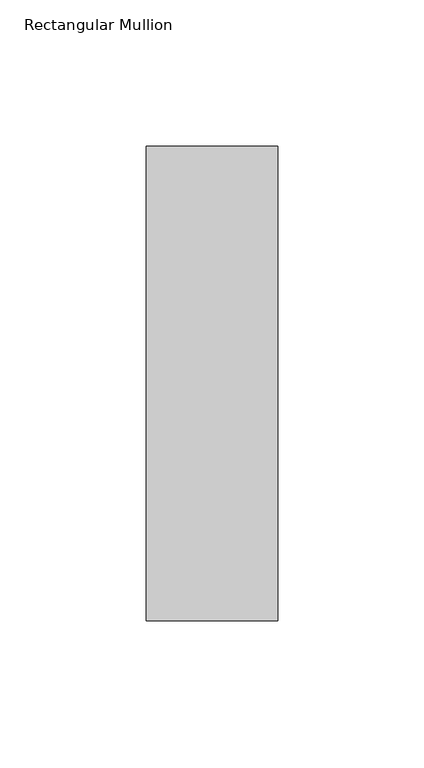
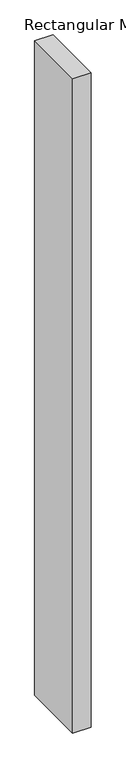
"""IFC4 building model written with IfcOpenShell, lengths in millimetres: member geometry, Rectangular Mullion."""

import ifcopenshell
import ifcopenshell.guid

model = None  # the IFC model being written
_history = None  # IfcOwnerHistory: only IFC2X3 demands one
_inside = {}  # id of a spatial element -> (the spatial element, [elements in it])
_under = {}  # id of a project, library or spatial element -> (it, [spatial elements below it])
_declared = {}  # id of a project -> (the project, [libraries it declares])
_typed = {}  # id of a type object -> (the type object, [elements of that type])
_made_of = {}  # id of a material, layer set ... -> (it, [elements and type objects made of it])


def new_model(schema):
    """Start an empty IFC model of exactly this schema.

    Asked for "IFC4X3", IfcOpenShell would pick the latest addendum, in which some entities
    have other attributes; the version numbers below select the first issue.
    IFC2X3 requires an IfcOwnerHistory on every rooted entity: one is made here for all.
    """
    global model, _history
    if schema == "IFC4X3":
        model = ifcopenshell.file(schema_version=(4, 3, 0, 0))
    else:
        model = ifcopenshell.file(schema=schema)
    _inside.clear()
    _under.clear()
    _declared.clear()
    _typed.clear()
    _made_of.clear()
    _history = None
    if model.schema == "IFC2X3":
        org = make("IfcOrganization", Name="unknown")
        user = make(
            "IfcPersonAndOrganization",
            ThePerson=make("IfcPerson", FamilyName="unknown"),
            TheOrganization=org,
        )
        app = make(
            "IfcApplication",
            ApplicationDeveloper=org,
            Version="unknown",
            ApplicationFullName="unknown",
            ApplicationIdentifier="unknown",
        )
        _history = make(
            "IfcOwnerHistory",
            OwningUser=user,
            OwningApplication=app,
            ChangeAction="ADDED",
            CreationDate=0,
        )
    return model


def make(cls, **values):
    """One entity of the class cls with the attributes given. An attribute that is None is left unset."""
    return model.create_entity(
        cls, **{name: value for name, value in values.items() if value is not None}
    )


def rooted(cls, **values):
    """An entity with a GlobalId (a new one), such as an element, a storey or a relation."""
    return make(cls, GlobalId=ifcopenshell.guid.new(), OwnerHistory=_history, **values)


def si_unit(unit_type, name, prefix=None):
    """IfcSIUnit, for example si_unit("LENGTHUNIT", "METRE", prefix="MILLI")."""
    return make("IfcSIUnit", UnitType=unit_type, Prefix=prefix, Name=name)


def assignment(units):
    """IfcUnitAssignment: the units of a project."""
    return None if units is None else make("IfcUnitAssignment", Units=units)


def point(xyz):
    """IfcCartesianPoint."""
    return None if xyz is None else make("IfcCartesianPoint", Coordinates=xyz)


def direction(xyz):
    """IfcDirection."""
    return None if xyz is None else make("IfcDirection", DirectionRatios=xyz)


def frame(location, z_axis=None, x_axis=None):
    """IfcAxis2Placement3D, a coordinate frame: its origin and axes. An axis left out is left unset."""
    return make(
        "IfcAxis2Placement3D",
        Location=point(location),
        Axis=direction(z_axis),
        RefDirection=direction(x_axis),
    )


def origin():
    """The frame at (0, 0, 0) with its axes left unset."""
    return frame((0.0, 0.0, 0.0))


def place(relative_to, where):
    """IfcLocalPlacement: puts the frame where relative to a parent placement (None: the world)."""
    return make(
        "IfcLocalPlacement", PlacementRelTo=relative_to, RelativePlacement=where
    )


def context(
    kind, dimensions, precision=None, world=None, true_north=None, identifier=None
):
    """IfcGeometricRepresentationContext, for example the 3D "Model" context."""
    return make(
        "IfcGeometricRepresentationContext",
        ContextIdentifier=identifier,
        ContextType=kind,
        CoordinateSpaceDimension=dimensions,
        Precision=precision,
        WorldCoordinateSystem=world,
        TrueNorth=true_north,
    )


def project(units=None, contexts=None):
    """IfcProject with its units and contexts."""
    return rooted(
        "IfcProject",
        Name="project",
        RepresentationContexts=contexts,
        UnitsInContext=assignment(units),
    )


def spatial(cls, under=None, at=None, **own):
    """A site, building, storey or space (cls), placed at a placement, below another one or the project."""
    s = rooted(cls, ObjectPlacement=at, **own)
    if under is not None:
        _under.setdefault(under.id(), (under, []))[1].append(s)
    return s


def polyline(points):
    """IfcPolyline through the points."""
    return make("IfcPolyline", Points=[point(p) for p in points])


def outline(outer, holes=None, kind="AREA"):
    """IfcArbitraryClosedProfileDef: a profile drawn as a closed curve; with holes, ...WithVoids."""
    if holes is None:
        return make("IfcArbitraryClosedProfileDef", ProfileType=kind, OuterCurve=outer)
    return make(
        "IfcArbitraryProfileDefWithVoids",
        ProfileType=kind,
        OuterCurve=outer,
        InnerCurves=holes,
    )


def extrude(swept, where, along, depth):
    """IfcExtrudedAreaSolid: the profile swept, set in the frame where, extruded along a direction by depth."""
    return make(
        "IfcExtrudedAreaSolid",
        SweptArea=swept,
        Position=where,
        ExtrudedDirection=direction(along),
        Depth=depth,
    )


def shape(context_of_items, identifier, shape_type, items):
    """IfcShapeRepresentation: the items that make up one representation, for example the "Body"."""
    return make(
        "IfcShapeRepresentation",
        ContextOfItems=context_of_items,
        RepresentationIdentifier=identifier,
        RepresentationType=shape_type,
        Items=items,
    )


def source(mapping_origin, context_of_items, identifier, shape_type, items):
    """IfcRepresentationMap: a shape defined once, which mapped items show again and again."""
    return make(
        "IfcRepresentationMap",
        MappingOrigin=mapping_origin,
        MappedRepresentation=shape(context_of_items, identifier, shape_type, items),
    )


def transform(
    local_origin,
    x_axis=None,
    y_axis=None,
    z_axis=None,
    scale=None,
    scale2=None,
    scale3=None,
    uniform=True,
):
    """IfcCartesianTransformationOperator3D, or its non-uniform kind. x_axis, y_axis, z_axis: its Axis1, 2, 3."""
    if uniform:
        return make(
            "IfcCartesianTransformationOperator3D",
            Axis1=direction(x_axis),
            Axis2=direction(y_axis),
            LocalOrigin=point(local_origin),
            Scale=scale,
            Axis3=direction(z_axis),
        )
    return make(
        "IfcCartesianTransformationOperator3DnonUniform",
        Axis1=direction(x_axis),
        Axis2=direction(y_axis),
        LocalOrigin=point(local_origin),
        Scale=scale,
        Axis3=direction(z_axis),
        Scale2=scale2,
        Scale3=scale3,
    )


def mapped(mapping_source, mapping_target):
    """IfcMappedItem: shows the shape of a source again, moved by a transform."""
    return make(
        "IfcMappedItem", MappingSource=mapping_source, MappingTarget=mapping_target
    )


def made_of(thing, what):
    """Note that an element or type object is made of a material, layer set ...; save() writes the relation."""
    if what is not None:
        _made_of.setdefault(what.id(), (what, []))[1].append(thing)
    return thing


def element(
    cls,
    number,
    at=None,
    inside=None,
    cuts=None,
    type_object=None,
    material=None,
    context=None,
    identifier="Body",
    shape_type=None,
    held_by="IfcProductDefinitionShape",
    body=None,
    shapes=None,
    **own,
):
    """One element of the class cls, such as IfcWall. Its Tag is "e" and its number.

    at: its placement. inside: the storey or other place that contains it. cuts: it is an
    opening in that element (IfcRelVoidsElement). A single representation is given by context,
    identifier, shape_type and body (its items); several are given by shapes. held_by: the class
    of the entity that holds the representations. save() writes the other relations.
    """
    e = rooted(cls, Tag="e%d" % number, ObjectPlacement=at, **own)
    if body is not None:
        shapes = [shape(context, identifier, shape_type, body)]
    if shapes is not None:
        e.Representation = make(held_by, Representations=shapes)
    if inside is not None:
        _inside.setdefault(inside.id(), (inside, []))[1].append(e)
    if cuts is not None:
        rooted(
            "IfcRelVoidsElement", RelatingBuildingElement=cuts, RelatedOpeningElement=e
        )
    if type_object is not None:
        _typed.setdefault(type_object.id(), (type_object, []))[1].append(e)
    return made_of(e, material)


def aggregate(whole, parts):
    """IfcRelAggregates: a whole, such as a stair, and the parts it consists of."""
    return rooted("IfcRelAggregates", RelatingObject=whole, RelatedObjects=parts)


def save(model, path):
    """Write the relations noted so far, then the file.

    IfcRelAggregates (storeys below a building ...), IfcRelContainedInSpatialStructure (elements
    in a storey), IfcRelDefinesByType, IfcRelAssociatesMaterial and IfcRelDeclares: one each for
    every whole, place, type object, material and project.
    """
    for whole, parts in _under.values():
        aggregate(whole, parts)
    for where, things in _inside.values():
        rooted(
            "IfcRelContainedInSpatialStructure",
            RelatedElements=things,
            RelatingStructure=where,
        )
    for kind, things in _typed.values():
        rooted("IfcRelDefinesByType", RelatedObjects=things, RelatingType=kind)
    for what, things in _made_of.values():
        rooted("IfcRelAssociatesMaterial", RelatedObjects=things, RelatingMaterial=what)
    for by, libraries in _declared.values():
        rooted("IfcRelDeclares", RelatingContext=by, RelatedDefinitions=libraries)
    model.write(path)


def rectangular_mullion_7f2655d9(model_context):
    return source(origin(), model_context, "Body", "SweptSolid", [
        extrude(outline(polyline([(22.5, 126.73125), (22.5, -35.73125), (-22.5, -35.73125), (-22.5, 126.73125), (22.5, 126.73125)])), frame((0.0, 0.0, -1708.8912252), z_axis=(0.0, 0.0, 1.0), x_axis=(1.0, 0.0, 0.0)), (0.0, 0.0, 1.0), 1708.8912252),
    ])


if __name__ == "__main__":
    model = new_model("IFC4")
    model_context = context("Model", 3, world=origin())
    ifc_project = project(units=[si_unit("LENGTHUNIT", "METRE", prefix="MILLI")], contexts=[model_context])
    site = spatial("IfcSite", under=ifc_project)
    building = spatial("IfcBuilding", under=site)
    placement = place(None, origin())
    rectangular_mullion_shape = rectangular_mullion_7f2655d9(model_context)
    element("IfcMember", 1, ObjectType="Rectangular Mullion", at=placement, inside=building, context=model_context, shape_type="MappedRepresentation", body=[
        mapped(rectangular_mullion_shape, transform((0.0, 0.0, 0.0), x_axis=(1.0, 0.0, 0.0), y_axis=(0.0, 1.0, 0.0), z_axis=(0.0, 0.0, 1.0))),
    ])
    save(model, "model.ifc")
